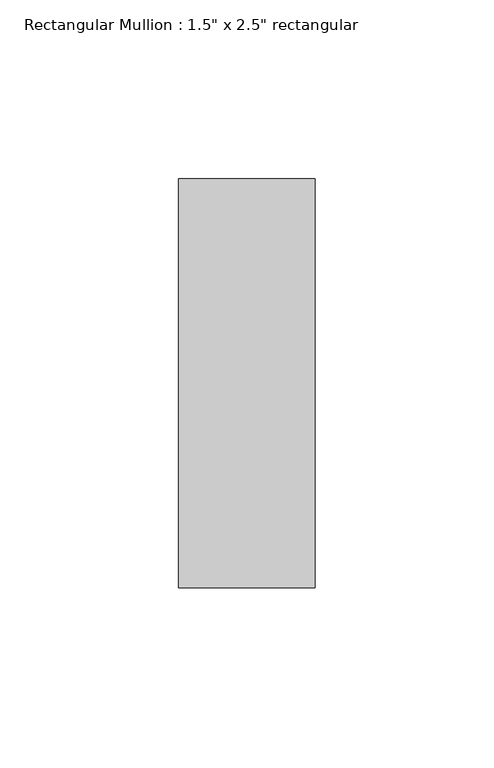
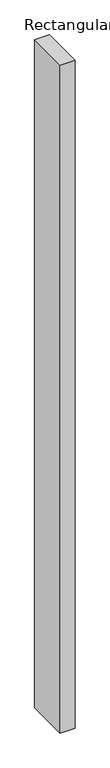
"""IFC4 building model written with IfcOpenShell, lengths in millimetres: member geometry."""

from ifc_helpers import new_model, si_unit, frame, origin, place, context, project, spatial, polyline, outline, extrude, source, transform, mapped, element, save


def member_bc75f92f(model_context):
    return source(origin(), model_context, "Body", "SweptSolid", [
        extrude(outline(polyline([(0.0, 57.15), (0.0, -57.15), (-38.1, -57.15), (-38.1, 57.15), (0.0, 57.15)])), frame((0.0, 0.0, -1828.8), z_axis=(0.0, 0.0, 1.0), x_axis=(1.0, 0.0, 0.0)), (0.0, 0.0, 1.0), 1828.8),
    ])


if __name__ == "__main__":
    model = new_model("IFC4")
    model_context = context("Model", 3, world=origin())
    ifc_project = project(units=[si_unit("LENGTHUNIT", "METRE", prefix="MILLI")], contexts=[model_context])
    site = spatial("IfcSite", under=ifc_project)
    building = spatial("IfcBuilding", under=site)
    placement = place(None, origin())
    member_shape = member_bc75f92f(model_context)
    element("IfcMember", 1, ObjectType="Rectangular Mullion : 1.5\" x 2.5\" rectangular", at=placement, inside=building, context=model_context, shape_type="MappedRepresentation", body=[
        mapped(member_shape, transform((0.0, 0.0, 0.0), x_axis=(1.0, 0.0, 0.0), y_axis=(0.0, 1.0, 0.0), z_axis=(0.0, 0.0, 1.0))),
    ])
    save(model, "model.ifc")
